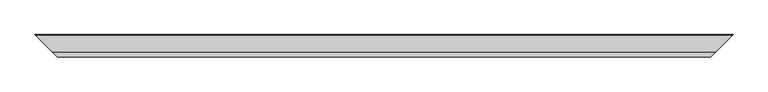
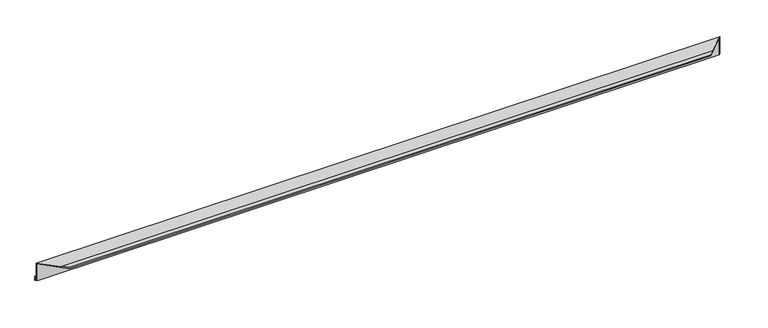
"""IFC4 building model written with IfcOpenShell, lengths in millimetres: proxy geometry."""

from ifc_helpers import new_model, si_unit, origin, place, context, project, spatial, faceted_brep, source, transform, mapped, element, save


def generic_models_721cb710(model_context):
    return source(origin(), model_context, "Body", "Brep", [
        faceted_brep([(2.0, -2.0, -45.0), (1508.0, -2.0, -45.0), (1505.0, -5.0, -45.0), (5.0, -5.0, -45.0), (2.0, -2.0, -35.0), (1508.0, -2.0, -35.0), (3.0, -3.0, -35.0), (1507.0, -3.0, -35.0), (3.0, -3.0, -44.0), (1507.0, -3.0, -44.0), (4.0, -4.0, -44.0), (1506.0, -4.0, -44.0), (4.0, -4.0, -4.0), (1506.0, -4.0, -4.0), (49.0, -49.0, -4.0), (1461.0, -49.0, -4.0), (49.0, -49.0, -3.0), (1461.0, -49.0, -3.0), (40.0, -40.0, -3.0), (1470.0, -40.0, -3.0), (40.0, -40.0, -2.0), (1470.0, -40.0, -2.0), (50.0, -50.0, -2.0), (1460.0, -50.0, -2.0), (50.0, -50.0, -5.0), (1460.0, -50.0, -5.0), (5.0, -5.0, -5.0), (1505.0, -5.0, -5.0)], [[[0, 1, 2, 3]], [[4, 5, 1, 0]], [[6, 7, 5, 4]], [[8, 9, 7, 6]], [[10, 11, 9, 8]], [[12, 13, 11, 10]], [[14, 15, 13, 12]], [[16, 17, 15, 14]], [[18, 19, 17, 16]], [[20, 21, 19, 18]], [[22, 23, 21, 20]], [[24, 25, 23, 22]], [[26, 27, 25, 24]], [[3, 2, 27, 26]], [[3, 26, 24, 22, 20, 18, 16, 14, 12, 10, 8, 6, 4, 0]], [[1, 5, 7, 9, 11, 13, 15, 17, 19, 21, 23, 25, 27, 2]]]),
    ])


if __name__ == "__main__":
    model = new_model("IFC4")
    model_context = context("Model", 3, world=origin())
    ifc_project = project(units=[si_unit("LENGTHUNIT", "METRE", prefix="MILLI")], contexts=[model_context])
    site = spatial("IfcSite", under=ifc_project)
    building = spatial("IfcBuilding", under=site)
    placement = place(None, origin())
    generic_models_shape = generic_models_721cb710(model_context)
    element("IfcBuildingElementProxy", 1, Name="Generic Models", at=placement, inside=building, context=model_context, shape_type="MappedRepresentation", body=[
        mapped(generic_models_shape, transform((0.0, 0.0, 0.0), x_axis=(1.0, 0.0, 0.0), y_axis=(0.0, 1.0, 0.0), z_axis=(0.0, 0.0, 1.0))),
    ])
    save(model, "model.ifc")
